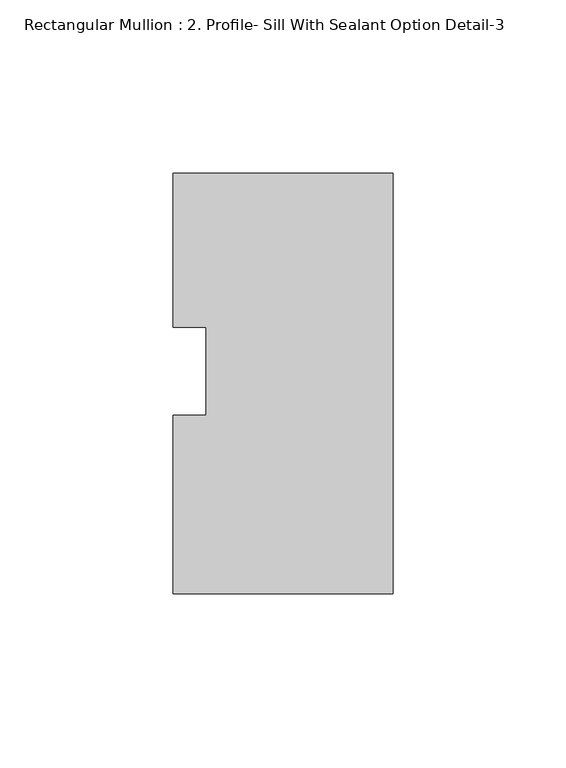
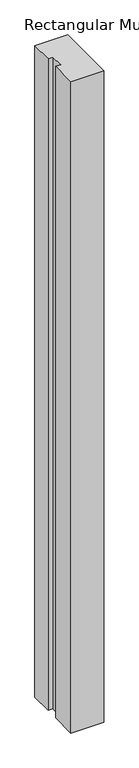
"""IFC4 building model written with IfcOpenShell, lengths in millimetres: member geometry, Rectangular Mullion : 2. Profile- Sill With Sealant Option Detail-3."""

from ifc_helpers import new_model, si_unit, frame, origin, place, context, project, spatial, polyline, outline, extrude, source, transform, mapped, element, save


def rectangular_mullion_2_profile_sill_with_sealant_option_c4e991f5(model_context):
    return source(origin(), model_context, "Body", "SweptSolid", [
        extrude(outline(polyline([(-63.49365, 12.7116529), (-63.49365, 57.1353707), (0.0, 57.1353707), (0.0, -64.3020293), (-63.5010153, -64.3020293), (-63.5010153, -12.7760454), (-53.9760153, -12.7760454), (-53.9760153, 12.7116529), (-63.49365, 12.7116529)])), frame((0.0, 0.0, -1340.0293076), z_axis=(0.0, 0.0, 1.0), x_axis=(1.0, 0.0, 0.0)), (0.0, 0.0, 1.0), 1340.0293076),
    ])


if __name__ == "__main__":
    model = new_model("IFC4")
    model_context = context("Model", 3, world=origin())
    ifc_project = project(units=[si_unit("LENGTHUNIT", "METRE", prefix="MILLI")], contexts=[model_context])
    site = spatial("IfcSite", under=ifc_project)
    building = spatial("IfcBuilding", under=site)
    placement = place(None, origin())
    rectangular_mullion_2_profile_sill_with_sealant_option_shape = rectangular_mullion_2_profile_sill_with_sealant_option_c4e991f5(model_context)
    element("IfcMember", 1, ObjectType="Rectangular Mullion : 2. Profile- Sill With Sealant Option Detail-3", at=placement, inside=building, context=model_context, shape_type="MappedRepresentation", body=[
        mapped(rectangular_mullion_2_profile_sill_with_sealant_option_shape, transform((0.0, 0.0, 0.0), x_axis=(1.0, 0.0, 0.0), y_axis=(0.0, 1.0, 0.0), z_axis=(0.0, 0.0, 1.0))),
    ])
    save(model, "model.ifc")
